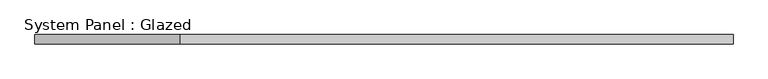
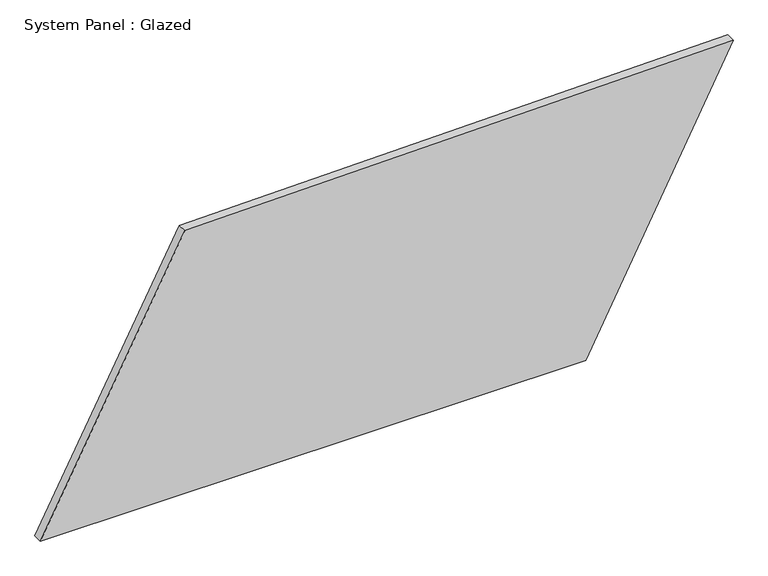
"""IFC4 building model written with IfcOpenShell, lengths in millimetres: plate geometry, System Panel : Glazed."""

from ifc_helpers import new_model, si_unit, frame, origin, place, context, project, spatial, polyline, outline, extrude, source, transform, mapped, element, save


def system_panel_glazed_ab5e96d7(model_context):
    return source(origin(), model_context, "Body", "SweptSolid", [
        extrude(outline(polyline([(0.0, -923.5748598), (0.0, 530.1680386), (766.1937225, 923.5748598), (740.5625253, -538.5813025), (0.0, -923.5748598)])), frame((0.0, -49.5, 0.0), z_axis=(0.0, 1.0, 0.0), x_axis=(0.0, 0.0, 1.0)), (0.0, 0.0, 1.0), 25.0),
    ])


if __name__ == "__main__":
    model = new_model("IFC4")
    model_context = context("Model", 3, world=origin())
    ifc_project = project(units=[si_unit("LENGTHUNIT", "METRE", prefix="MILLI")], contexts=[model_context])
    site = spatial("IfcSite", under=ifc_project)
    building = spatial("IfcBuilding", under=site)
    placement = place(None, origin())
    system_panel_glazed_shape = system_panel_glazed_ab5e96d7(model_context)
    element("IfcPlate", 1, ObjectType="System Panel : Glazed", at=placement, inside=building, context=model_context, shape_type="MappedRepresentation", body=[
        mapped(system_panel_glazed_shape, transform((0.0, 0.0, 0.0), x_axis=(1.0, 0.0, 0.0), y_axis=(0.0, 1.0, 0.0), z_axis=(0.0, 0.0, 1.0))),
    ])
    save(model, "model.ifc")
